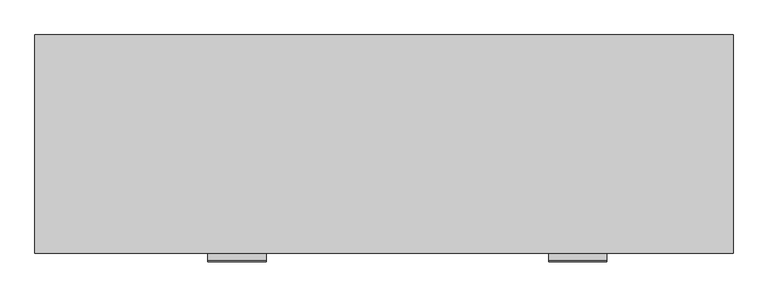
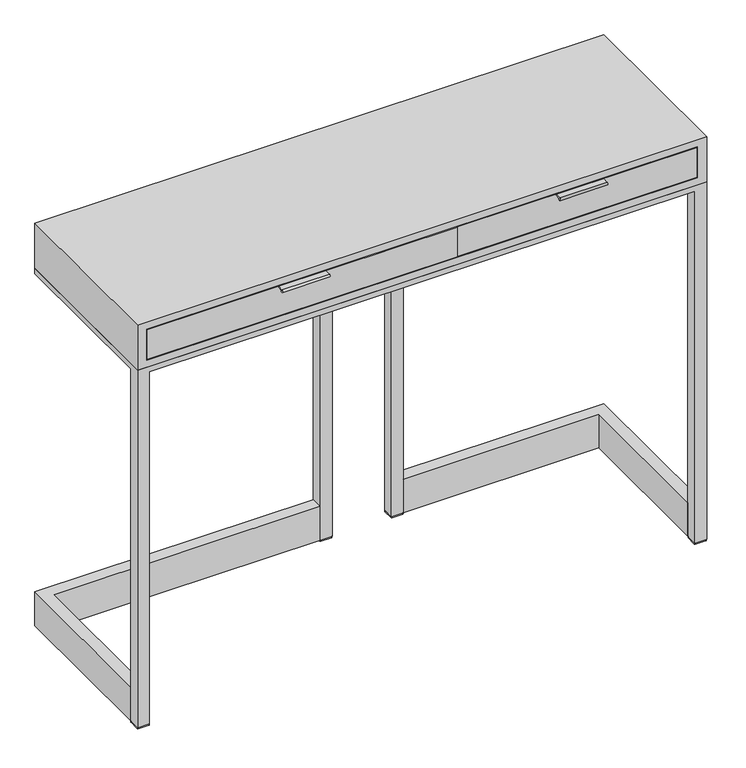
"""IFC4 building model written with IfcOpenShell, lengths in millimetres: furniture geometry."""

from ifc_helpers import new_model, si_unit, point, frame, frame_2d, origin, origin_with_axes, place, context, project, spatial, polyline, circle_curve, trimmed, segment, composite_curve, outline, extrude, faceted_brep, source, transform, mapped, element, save


def furniture_9855e839(model_context):
    return source(origin(), model_context, "Body", "SolidModel", [
        faceted_brep([(0.0, -381.0, 812.8003149), (1219.2, -381.0, 812.8003149), (1219.2, -381.0, 914.4), (0.0, -381.0, 914.4), (1199.7714984, -381.0, 898.5634666), (1199.7714984, -381.0, 828.5483149), (19.4285016, -381.0, 828.5483149), (19.4285016, -381.0, 898.5634666), (0.0, 0.0, 812.8003149), (0.0, 0.0, 914.4), (1219.2, 0.0, 914.4), (1219.2, 0.0, 812.8003149), (1199.7714984, 0.0, 898.5634666), (19.4285016, 0.0, 898.5634666), (19.4285016, 0.0, 828.5483149), (1199.7714984, 0.0, 828.5483149), (1199.7714984, -355.6, 898.5634666), (1199.7714984, -355.6, 828.5483149), (1199.7714984, -5.08, 828.5483149), (1199.7714984, -5.08, 898.5634666), (19.4285016, -355.6, 828.5483149), (19.4285016, -5.08, 828.5483149), (19.4285016, -355.6, 898.5634666), (19.4285016, -5.08, 898.5634666)], [[[0, 1, 2, 3], [4, 5, 6, 7]], [[8, 9, 10, 11], [12, 13, 14, 15]], [[1, 0, 8, 11]], [[2, 1, 11, 10]], [[3, 2, 10, 9]], [[0, 3, 9, 8]], [[5, 4, 16, 17]], [[12, 15, 18, 19]], [[6, 5, 17, 20]], [[15, 14, 21, 18]], [[7, 6, 20, 22]], [[14, 13, 23, 21]], [[4, 7, 22, 16]], [[13, 12, 19, 23]], [[17, 16, 22, 20]], [[19, 18, 21, 23]]]),
        extrude(outline(composite_curve([segment(polyline([(-381.0, 896.8876968), (-381.0, 894.4950377), (-390.6880351, 894.4950377)]), True, "CONTINUOUS"), segment(trimmed(circle_curve(frame_2d((-393.5576819, 893.9705052)), 2.9171916), [point((-390.6880351, 894.4950377))], [point((-393.5576819, 896.8876968))], False, "CARTESIAN"), True, "CONTINUOUS"), segment(polyline([(-393.5576819, 896.8876968), (-381.0, 896.8876968)]), True, "CONTINUOUS")], self_intersect=False)), frame((896.9829522, 0.0, 0.0), z_axis=(1.0, 0.0, 0.0), x_axis=(0.0, 1.0, 0.0)), (0.0, 0.0, 1.0), 101.5729396),
        extrude(outline(composite_curve([segment(polyline([(-381.0, 896.8876968), (-381.0, 894.4950377), (-390.6880351, 894.4950377)]), True, "CONTINUOUS"), segment(trimmed(circle_curve(frame_2d((-393.5576819, 893.9705052)), 2.9171916), [point((-390.6880351, 894.4950377))], [point((-393.5576819, 896.8876968))], False, "CARTESIAN"), True, "CONTINUOUS"), segment(polyline([(-393.5576819, 896.8876968), (-381.0, 896.8876968)]), True, "CONTINUOUS")], self_intersect=False)), frame((302.0154423, 0.0, 0.0), z_axis=(1.0, 0.0, 0.0), x_axis=(0.0, 1.0, 0.0)), (0.0, 0.0, 1.0), 101.5614072),
        extrude(outline(polyline([(1198.2474984, -381.0), (686.5624848, -381.0), (686.5624848, -357.124), (1198.2474984, -357.124), (1198.2474984, -381.0)])), frame((0.0, 0.0, 830.0723149), z_axis=(0.0, 0.0, 1.0), x_axis=(1.0, 0.0, 0.0)), (0.0, 0.0, 1.0), 66.9671517),
        extrude(outline(polyline([(685.0384848, -381.0), (20.9525016, -381.0), (20.9525016, -357.124), (685.0384848, -357.124), (685.0384848, -381.0)])), frame((0.0, 0.0, 830.0723149), z_axis=(0.0, 0.0, 1.0), x_axis=(1.0, 0.0, 0.0)), (0.0, 0.0, 1.0), 66.9671517),
        faceted_brep([(0.0, -381.0, 3.048), (0.0, -355.6, 3.048), (25.3979745, -355.6, 3.048), (25.3979745, -381.0, 3.048), (1219.2, -381.0, 3.048), (1193.8020255, -381.0, 3.048), (1193.8020255, -355.6, 3.048), (1219.2, -355.6, 3.048), (749.302165, -25.4, 3.048), (749.302165, 0.0, 3.048), (774.702165, 0.0, 3.048), (774.702165, -25.4, 3.048), (622.2988047, -25.4, 3.048), (596.9011953, -25.4, 3.048), (596.9011953, 0.0, 3.048), (622.2988047, 0.0, 3.048), (25.3979745, -381.0, 800.100218), (1193.8020255, -381.0, 800.100218), (1219.2, -381.0, 812.8003149), (0.0, -381.0, 812.8003149), (25.3979745, -355.6, 800.100218), (0.0, -355.6, 800.100218), (0.0, 0.0, 812.8003149), (0.0, 0.0, 800.100218), (1219.2, -355.6, 800.100218), (1219.2, 0.0, 800.100218), (1219.2, 0.0, 812.8003149), (1193.8020255, -355.6, 800.100218), (774.702165, -25.4, 800.100218), (1193.8020255, -25.4, 800.100218), (1193.8020255, -25.4, 812.8003149), (25.3979745, -25.4, 812.8003149), (25.3979745, -25.4, 800.100218), (596.9011953, -25.4, 800.100218), (622.2988047, -25.4, 749.3001938), (749.302165, -25.4, 749.3001938), (749.302165, -25.4, 800.100218), (749.302165, -25.4, 774.7003149), (622.2988047, -25.4, 774.7003149), (622.2988047, -25.4, 800.100218), (774.702165, 0.0, 800.100218), (749.302165, 0.0, 749.3001938), (622.2988047, 0.0, 749.3001938), (596.9011953, 0.0, 800.100218), (622.2988047, 0.0, 800.100218), (622.2988047, 0.0, 774.7003149), (749.302165, 0.0, 774.7003149), (749.302165, 0.0, 800.100218), (25.3979745, -355.6, 812.8003149), (1193.8020255, -355.6, 812.8003149)], [[[0, 1, 2, 3]], [[4, 5, 6, 7]], [[8, 9, 10, 11]], [[12, 13, 14, 15]], [[0, 3, 16, 17, 5, 4, 18, 19]], [[3, 2, 20, 16]], [[2, 1, 21, 20]], [[1, 0, 19, 22, 23, 21]], [[4, 7, 24, 25, 26, 18]], [[7, 6, 27, 24]], [[6, 5, 17, 27]], [[8, 11, 28, 29, 30, 31, 32, 33, 13, 12, 34, 35], [36, 37, 38, 39]], [[11, 10, 40, 28]], [[10, 9, 41, 42, 15, 14, 43, 23, 22, 26, 25, 40], [44, 45, 46, 47]], [[9, 8, 35, 41]], [[36, 47, 46, 37]], [[12, 15, 42, 34]], [[44, 39, 38, 45]], [[14, 13, 33, 43]], [[22, 19, 18, 26], [48, 31, 30, 49]], [[36, 39, 44, 47]], [[20, 27, 17, 16]], [[27, 29, 28, 40, 25, 24]], [[32, 20, 21, 23, 43, 33]], [[31, 48, 20, 32]], [[49, 30, 29, 27]], [[48, 49, 27, 20]], [[35, 34, 42, 41]], [[38, 37, 46, 45]]]),
        extrude(outline(polyline([(25.3979745, -355.6), (0.0, -355.6), (0.0, 0.0), (596.9011953, 0.0), (596.9011953, -25.4), (25.3979745, -25.4), (25.3979745, -355.6)])), frame((0.0, 0.0, 3.048), z_axis=(0.0, 0.0, 1.0), x_axis=(1.0, 0.0, 0.0)), (0.0, 0.0, 1.0), 76.3015443),
        extrude(outline(polyline([(1193.8020255, -355.6), (1193.8020255, -25.4), (774.702165, -25.4), (774.702165, 0.0), (1219.2, 0.0), (1219.2, -355.6), (1193.8020255, -355.6)])), frame((0.0, 0.0, 3.048), z_axis=(0.0, 0.0, 1.0), x_axis=(1.0, 0.0, 0.0)), (0.0, 0.0, 1.0), 76.3015443),
        extrude(outline(composite_curve([segment(trimmed(circle_curve(frame_2d((24.2332217, -356.7647527)), 1.1647527), [point((24.2332217, -355.6))], [point((25.3979745, -356.7647527))], False, "CARTESIAN"), True, "CONTINUOUS"), segment(polyline([(25.3979745, -356.7647527), (25.3979745, -379.73)]), True, "CONTINUOUS"), segment(trimmed(circle_curve(frame_2d((24.1279745, -379.73)), 1.27), [point((25.3979745, -379.73))], [point((24.1279745, -381.0))], False, "CARTESIAN"), True, "CONTINUOUS"), segment(polyline([(24.1279745, -381.0), (1.242118, -381.0)]), True, "CONTINUOUS"), segment(trimmed(circle_curve(frame_2d((1.242118, -379.757882)), 1.242118), [point((1.242118, -381.0))], [point((0.0, -379.757882))], False, "CARTESIAN"), True, "CONTINUOUS"), segment(polyline([(0.0, -379.757882), (0.0, -356.87)]), True, "CONTINUOUS"), segment(trimmed(circle_curve(frame_2d((1.27, -356.87)), 1.27), [point((0.0, -356.87))], [point((1.27, -355.6))], False, "CARTESIAN"), True, "CONTINUOUS"), segment(polyline([(1.27, -355.6), (24.2332217, -355.6)]), True, "CONTINUOUS")], self_intersect=False)), origin_with_axes(), (0.0, 0.0, 1.0), 3.048),
        extrude(outline(composite_curve([segment(polyline([(1194.9667783, -355.6), (1217.93, -355.6)]), True, "CONTINUOUS"), segment(trimmed(circle_curve(frame_2d((1217.93, -356.87)), 1.27), [point((1217.93, -355.6))], [point((1219.2, -356.87))], False, "CARTESIAN"), True, "CONTINUOUS"), segment(polyline([(1219.2, -356.87), (1219.2, -379.757882)]), True, "CONTINUOUS"), segment(trimmed(circle_curve(frame_2d((1217.957882, -379.757882)), 1.242118), [point((1219.2, -379.757882))], [point((1217.957882, -381.0))], False, "CARTESIAN"), True, "CONTINUOUS"), segment(polyline([(1217.957882, -381.0), (1195.0720255, -381.0)]), True, "CONTINUOUS"), segment(trimmed(circle_curve(frame_2d((1195.0720255, -379.73)), 1.27), [point((1195.0720255, -381.0))], [point((1193.8020255, -379.73))], False, "CARTESIAN"), True, "CONTINUOUS"), segment(polyline([(1193.8020255, -379.73), (1193.8020255, -356.7647527)]), True, "CONTINUOUS"), segment(trimmed(circle_curve(frame_2d((1194.9667783, -356.7647527)), 1.1647527), [point((1193.8020255, -356.7647527))], [point((1194.9667783, -355.6))], False, "CARTESIAN"), True, "CONTINUOUS")], self_intersect=False)), origin_with_axes(), (0.0, 0.0, 1.0), 3.048),
        extrude(outline(composite_curve([segment(polyline([(749.302165, -24.13), (749.302165, -1.27)]), True, "CONTINUOUS"), segment(trimmed(circle_curve(frame_2d((750.572165, -1.27)), 1.27), [point((749.302165, -1.27))], [point((750.572165, 0.0))], False, "CARTESIAN"), True, "CONTINUOUS"), segment(polyline([(750.572165, 0.0), (773.432165, 0.0)]), True, "CONTINUOUS"), segment(trimmed(circle_curve(frame_2d((773.432165, -1.27)), 1.27), [point((773.432165, 0.0))], [point((774.702165, -1.27))], False, "CARTESIAN"), True, "CONTINUOUS"), segment(polyline([(774.702165, -1.27), (774.702165, -24.13)]), True, "CONTINUOUS"), segment(trimmed(circle_curve(frame_2d((773.432165, -24.13)), 1.27), [point((774.702165, -24.13))], [point((773.432165, -25.4))], False, "CARTESIAN"), True, "CONTINUOUS"), segment(polyline([(773.432165, -25.4), (750.572165, -25.4)]), True, "CONTINUOUS"), segment(trimmed(circle_curve(frame_2d((750.572165, -24.13)), 1.27), [point((750.572165, -25.4))], [point((749.302165, -24.13))], False, "CARTESIAN"), True, "CONTINUOUS")], self_intersect=False)), origin_with_axes(), (0.0, 0.0, 1.0), 3.048),
        extrude(outline(composite_curve([segment(polyline([(596.9011953, -24.13), (596.9011953, -1.27)]), True, "CONTINUOUS"), segment(trimmed(circle_curve(frame_2d((598.1711953, -1.27)), 1.27), [point((596.9011953, -1.27))], [point((598.1711953, 0.0))], False, "CARTESIAN"), True, "CONTINUOUS"), segment(polyline([(598.1711953, 0.0), (621.0288047, 0.0)]), True, "CONTINUOUS"), segment(trimmed(circle_curve(frame_2d((621.0288047, -1.27)), 1.27), [point((621.0288047, 0.0))], [point((622.2988047, -1.27))], False, "CARTESIAN"), True, "CONTINUOUS"), segment(polyline([(622.2988047, -1.27), (622.2988047, -24.13)]), True, "CONTINUOUS"), segment(trimmed(circle_curve(frame_2d((621.0288047, -24.13)), 1.27), [point((622.2988047, -24.13))], [point((621.0288047, -25.4))], False, "CARTESIAN"), True, "CONTINUOUS"), segment(polyline([(621.0288047, -25.4), (598.1711953, -25.4)]), True, "CONTINUOUS"), segment(trimmed(circle_curve(frame_2d((598.1711953, -24.13)), 1.27), [point((598.1711953, -25.4))], [point((596.9011953, -24.13))], False, "CARTESIAN"), True, "CONTINUOUS")], self_intersect=False)), origin_with_axes(), (0.0, 0.0, 1.0), 3.048),
    ])


if __name__ == "__main__":
    model = new_model("IFC4")
    model_context = context("Model", 3, world=origin())
    ifc_project = project(units=[si_unit("LENGTHUNIT", "METRE", prefix="MILLI")], contexts=[model_context])
    site = spatial("IfcSite", under=ifc_project)
    building = spatial("IfcBuilding", under=site)
    placement = place(None, origin())
    furniture_shape = furniture_9855e839(model_context)
    element("IfcFurniture", 1, at=placement, inside=building, context=model_context, shape_type="MappedRepresentation", body=[
        mapped(furniture_shape, transform((0.0, 0.0, 0.0), x_axis=(1.0, 0.0, 0.0), y_axis=(0.0, 1.0, 0.0), z_axis=(0.0, 0.0, 1.0))),
    ])
    save(model, "model.ifc")
